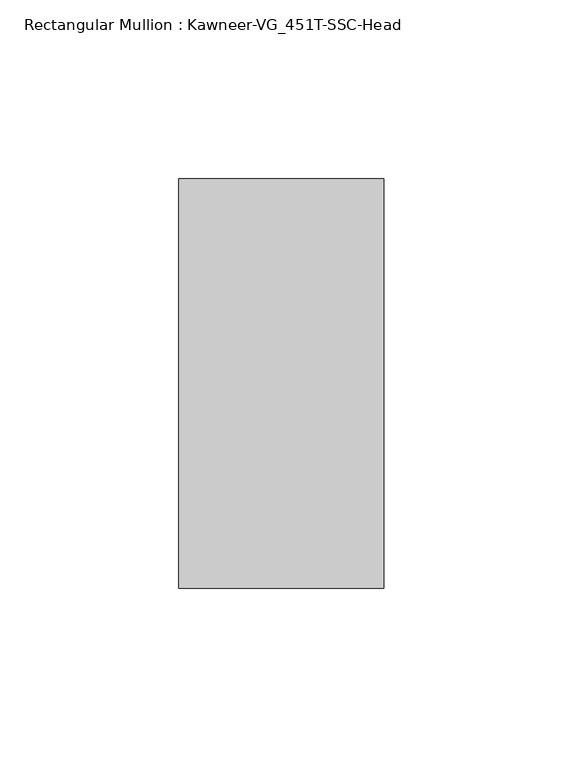
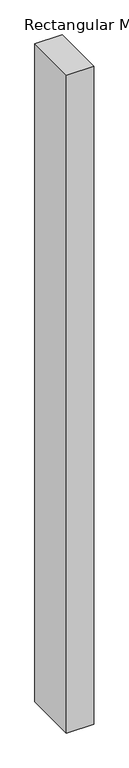
"""IFC4 building model written with IfcOpenShell, lengths in millimetres: member geometry, Rectangular Mullion : Kawneer-VG_451T-SSC-Head."""

import ifcopenshell
import ifcopenshell.guid

model = None  # the IFC model being written
_history = None  # IfcOwnerHistory: only IFC2X3 demands one
_inside = {}  # id of a spatial element -> (the spatial element, [elements in it])
_under = {}  # id of a project, library or spatial element -> (it, [spatial elements below it])
_declared = {}  # id of a project -> (the project, [libraries it declares])
_typed = {}  # id of a type object -> (the type object, [elements of that type])
_made_of = {}  # id of a material, layer set ... -> (it, [elements and type objects made of it])


def new_model(schema):
    """Start an empty IFC model of exactly this schema.

    Asked for "IFC4X3", IfcOpenShell would pick the latest addendum, in which some entities
    have other attributes; the version numbers below select the first issue.
    IFC2X3 requires an IfcOwnerHistory on every rooted entity: one is made here for all.
    """
    global model, _history
    if schema == "IFC4X3":
        model = ifcopenshell.file(schema_version=(4, 3, 0, 0))
    else:
        model = ifcopenshell.file(schema=schema)
    _inside.clear()
    _under.clear()
    _declared.clear()
    _typed.clear()
    _made_of.clear()
    _history = None
    if model.schema == "IFC2X3":
        org = make("IfcOrganization", Name="unknown")
        user = make(
            "IfcPersonAndOrganization",
            ThePerson=make("IfcPerson", FamilyName="unknown"),
            TheOrganization=org,
        )
        app = make(
            "IfcApplication",
            ApplicationDeveloper=org,
            Version="unknown",
            ApplicationFullName="unknown",
            ApplicationIdentifier="unknown",
        )
        _history = make(
            "IfcOwnerHistory",
            OwningUser=user,
            OwningApplication=app,
            ChangeAction="ADDED",
            CreationDate=0,
        )
    return model


def make(cls, **values):
    """One entity of the class cls with the attributes given. An attribute that is None is left unset."""
    return model.create_entity(
        cls, **{name: value for name, value in values.items() if value is not None}
    )


def rooted(cls, **values):
    """An entity with a GlobalId (a new one), such as an element, a storey or a relation."""
    return make(cls, GlobalId=ifcopenshell.guid.new(), OwnerHistory=_history, **values)


def si_unit(unit_type, name, prefix=None):
    """IfcSIUnit, for example si_unit("LENGTHUNIT", "METRE", prefix="MILLI")."""
    return make("IfcSIUnit", UnitType=unit_type, Prefix=prefix, Name=name)


def assignment(units):
    """IfcUnitAssignment: the units of a project."""
    return None if units is None else make("IfcUnitAssignment", Units=units)


def point(xyz):
    """IfcCartesianPoint."""
    return None if xyz is None else make("IfcCartesianPoint", Coordinates=xyz)


def direction(xyz):
    """IfcDirection."""
    return None if xyz is None else make("IfcDirection", DirectionRatios=xyz)


def frame(location, z_axis=None, x_axis=None):
    """IfcAxis2Placement3D, a coordinate frame: its origin and axes. An axis left out is left unset."""
    return make(
        "IfcAxis2Placement3D",
        Location=point(location),
        Axis=direction(z_axis),
        RefDirection=direction(x_axis),
    )


def origin():
    """The frame at (0, 0, 0) with its axes left unset."""
    return frame((0.0, 0.0, 0.0))


def place(relative_to, where):
    """IfcLocalPlacement: puts the frame where relative to a parent placement (None: the world)."""
    return make(
        "IfcLocalPlacement", PlacementRelTo=relative_to, RelativePlacement=where
    )


def context(
    kind, dimensions, precision=None, world=None, true_north=None, identifier=None
):
    """IfcGeometricRepresentationContext, for example the 3D "Model" context."""
    return make(
        "IfcGeometricRepresentationContext",
        ContextIdentifier=identifier,
        ContextType=kind,
        CoordinateSpaceDimension=dimensions,
        Precision=precision,
        WorldCoordinateSystem=world,
        TrueNorth=true_north,
    )


def project(units=None, contexts=None):
    """IfcProject with its units and contexts."""
    return rooted(
        "IfcProject",
        Name="project",
        RepresentationContexts=contexts,
        UnitsInContext=assignment(units),
    )


def spatial(cls, under=None, at=None, **own):
    """A site, building, storey or space (cls), placed at a placement, below another one or the project."""
    s = rooted(cls, ObjectPlacement=at, **own)
    if under is not None:
        _under.setdefault(under.id(), (under, []))[1].append(s)
    return s


def polyline(points):
    """IfcPolyline through the points."""
    return make("IfcPolyline", Points=[point(p) for p in points])


def outline(outer, holes=None, kind="AREA"):
    """IfcArbitraryClosedProfileDef: a profile drawn as a closed curve; with holes, ...WithVoids."""
    if holes is None:
        return make("IfcArbitraryClosedProfileDef", ProfileType=kind, OuterCurve=outer)
    return make(
        "IfcArbitraryProfileDefWithVoids",
        ProfileType=kind,
        OuterCurve=outer,
        InnerCurves=holes,
    )


def extrude(swept, where, along, depth):
    """IfcExtrudedAreaSolid: the profile swept, set in the frame where, extruded along a direction by depth."""
    return make(
        "IfcExtrudedAreaSolid",
        SweptArea=swept,
        Position=where,
        ExtrudedDirection=direction(along),
        Depth=depth,
    )


def shape(context_of_items, identifier, shape_type, items):
    """IfcShapeRepresentation: the items that make up one representation, for example the "Body"."""
    return make(
        "IfcShapeRepresentation",
        ContextOfItems=context_of_items,
        RepresentationIdentifier=identifier,
        RepresentationType=shape_type,
        Items=items,
    )


def source(mapping_origin, context_of_items, identifier, shape_type, items):
    """IfcRepresentationMap: a shape defined once, which mapped items show again and again."""
    return make(
        "IfcRepresentationMap",
        MappingOrigin=mapping_origin,
        MappedRepresentation=shape(context_of_items, identifier, shape_type, items),
    )


def transform(
    local_origin,
    x_axis=None,
    y_axis=None,
    z_axis=None,
    scale=None,
    scale2=None,
    scale3=None,
    uniform=True,
):
    """IfcCartesianTransformationOperator3D, or its non-uniform kind. x_axis, y_axis, z_axis: its Axis1, 2, 3."""
    if uniform:
        return make(
            "IfcCartesianTransformationOperator3D",
            Axis1=direction(x_axis),
            Axis2=direction(y_axis),
            LocalOrigin=point(local_origin),
            Scale=scale,
            Axis3=direction(z_axis),
        )
    return make(
        "IfcCartesianTransformationOperator3DnonUniform",
        Axis1=direction(x_axis),
        Axis2=direction(y_axis),
        LocalOrigin=point(local_origin),
        Scale=scale,
        Axis3=direction(z_axis),
        Scale2=scale2,
        Scale3=scale3,
    )


def mapped(mapping_source, mapping_target):
    """IfcMappedItem: shows the shape of a source again, moved by a transform."""
    return make(
        "IfcMappedItem", MappingSource=mapping_source, MappingTarget=mapping_target
    )


def made_of(thing, what):
    """Note that an element or type object is made of a material, layer set ...; save() writes the relation."""
    if what is not None:
        _made_of.setdefault(what.id(), (what, []))[1].append(thing)
    return thing


def element(
    cls,
    number,
    at=None,
    inside=None,
    cuts=None,
    type_object=None,
    material=None,
    context=None,
    identifier="Body",
    shape_type=None,
    held_by="IfcProductDefinitionShape",
    body=None,
    shapes=None,
    **own,
):
    """One element of the class cls, such as IfcWall. Its Tag is "e" and its number.

    at: its placement. inside: the storey or other place that contains it. cuts: it is an
    opening in that element (IfcRelVoidsElement). A single representation is given by context,
    identifier, shape_type and body (its items); several are given by shapes. held_by: the class
    of the entity that holds the representations. save() writes the other relations.
    """
    e = rooted(cls, Tag="e%d" % number, ObjectPlacement=at, **own)
    if body is not None:
        shapes = [shape(context, identifier, shape_type, body)]
    if shapes is not None:
        e.Representation = make(held_by, Representations=shapes)
    if inside is not None:
        _inside.setdefault(inside.id(), (inside, []))[1].append(e)
    if cuts is not None:
        rooted(
            "IfcRelVoidsElement", RelatingBuildingElement=cuts, RelatedOpeningElement=e
        )
    if type_object is not None:
        _typed.setdefault(type_object.id(), (type_object, []))[1].append(e)
    return made_of(e, material)


def aggregate(whole, parts):
    """IfcRelAggregates: a whole, such as a stair, and the parts it consists of."""
    return rooted("IfcRelAggregates", RelatingObject=whole, RelatedObjects=parts)


def save(model, path):
    """Write the relations noted so far, then the file.

    IfcRelAggregates (storeys below a building ...), IfcRelContainedInSpatialStructure (elements
    in a storey), IfcRelDefinesByType, IfcRelAssociatesMaterial and IfcRelDeclares: one each for
    every whole, place, type object, material and project.
    """
    for whole, parts in _under.values():
        aggregate(whole, parts)
    for where, things in _inside.values():
        rooted(
            "IfcRelContainedInSpatialStructure",
            RelatedElements=things,
            RelatingStructure=where,
        )
    for kind, things in _typed.values():
        rooted("IfcRelDefinesByType", RelatedObjects=things, RelatingType=kind)
    for what, things in _made_of.values():
        rooted("IfcRelAssociatesMaterial", RelatedObjects=things, RelatingMaterial=what)
    for by, libraries in _declared.values():
        rooted("IfcRelDeclares", RelatingContext=by, RelatedDefinitions=libraries)
    model.write(path)


def rectangular_mullion_kawneer_vg_451t_ssc_head_740f8d7e(model_context):
    return source(origin(), model_context, "Body", "SweptSolid", [
        extrude(outline(polyline([(-57.15, -57.15), (-57.15, 57.15), (0.0, 57.15), (0.0, -57.15), (-57.15, -57.15)])), frame((0.0, 0.0, -1458.9125), z_axis=(0.0, 0.0, 1.0), x_axis=(1.0, 0.0, 0.0)), (0.0, 0.0, 1.0), 1458.9125),
    ])


if __name__ == "__main__":
    model = new_model("IFC4")
    model_context = context("Model", 3, world=origin())
    ifc_project = project(units=[si_unit("LENGTHUNIT", "METRE", prefix="MILLI")], contexts=[model_context])
    site = spatial("IfcSite", under=ifc_project)
    building = spatial("IfcBuilding", under=site)
    placement = place(None, origin())
    rectangular_mullion_kawneer_vg_451t_ssc_head_shape = rectangular_mullion_kawneer_vg_451t_ssc_head_740f8d7e(model_context)
    element("IfcMember", 1, ObjectType="Rectangular Mullion : Kawneer-VG_451T-SSC-Head", at=placement, inside=building, context=model_context, shape_type="MappedRepresentation", body=[
        mapped(rectangular_mullion_kawneer_vg_451t_ssc_head_shape, transform((0.0, 0.0, 0.0), x_axis=(1.0, 0.0, 0.0), y_axis=(0.0, 1.0, 0.0), z_axis=(0.0, 0.0, 1.0))),
    ])
    save(model, "model.ifc")
